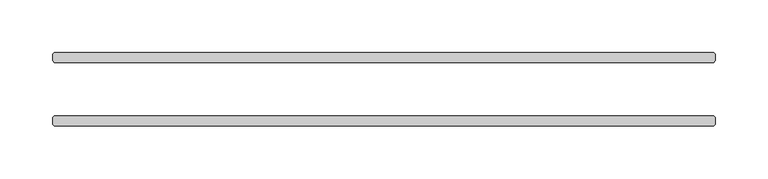
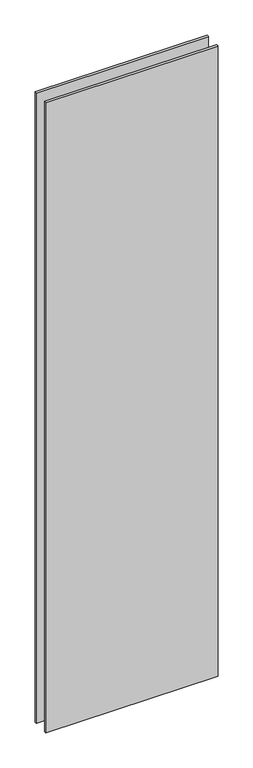
"""IFC4 building model written with IfcOpenShell, lengths in millimetres: plate geometry."""

from ifc_helpers import new_model, si_unit, origin, origin_with_axes, place, context, project, spatial, polyline, outline, extrude, source, transform, mapped, element, save


def plate_1f5c2f7b(model_context):
    return source(origin(), model_context, "Body", "SweptSolid", [
        extrude(outline(polyline([(313.134375, -25.4), (314.721875, -26.9875), (314.721875, -33.3375), (313.134375, -34.925), (-313.134375, -34.925), (-314.721875, -33.3375), (-314.721875, -26.9875), (-313.134375, -25.4), (313.134375, -25.4)])), origin_with_axes(), (0.0, 0.0, 1.0), 2428.7789267),
        extrude(outline(polyline([(313.134375, 34.925), (314.721875, 33.3375), (314.721875, 26.9875), (313.134375, 25.4), (-313.134375, 25.4), (-314.721875, 26.9875), (-314.721875, 33.3375), (-313.134375, 34.925), (313.134375, 34.925)])), origin_with_axes(), (0.0, 0.0, 1.0), 2428.7789267),
    ])


if __name__ == "__main__":
    model = new_model("IFC4")
    model_context = context("Model", 3, world=origin())
    ifc_project = project(units=[si_unit("LENGTHUNIT", "METRE", prefix="MILLI")], contexts=[model_context])
    site = spatial("IfcSite", under=ifc_project)
    building = spatial("IfcBuilding", under=site)
    placement = place(None, origin())
    plate_shape = plate_1f5c2f7b(model_context)
    element("IfcPlate", 1, at=placement, inside=building, context=model_context, shape_type="MappedRepresentation", body=[
        mapped(plate_shape, transform((0.0, 0.0, 0.0), x_axis=(1.0, 0.0, 0.0), y_axis=(0.0, 1.0, 0.0), z_axis=(0.0, 0.0, 1.0))),
    ])
    save(model, "model.ifc")
